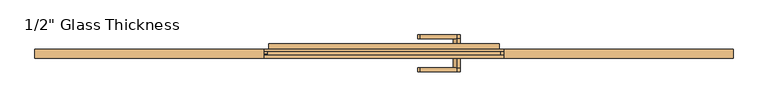
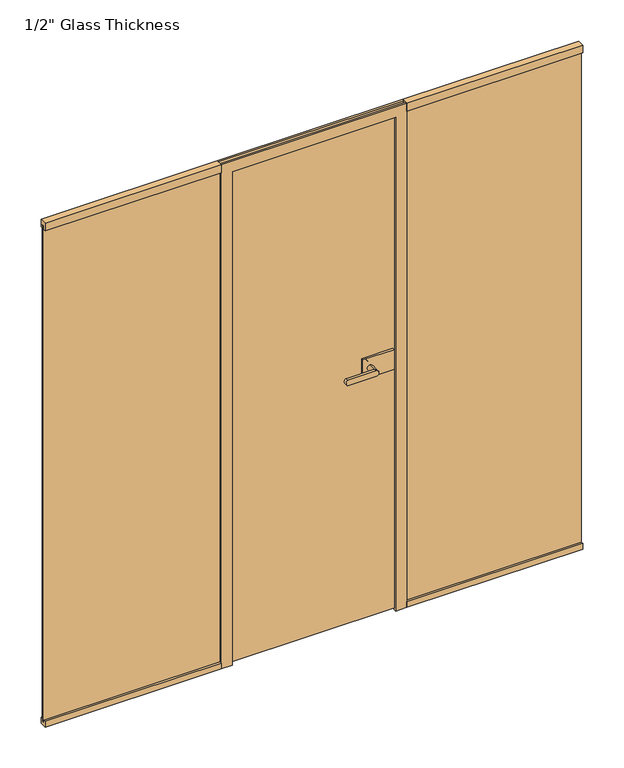
"""IFC4 building model written with IfcOpenShell, lengths in millimetres: door geometry."""

from ifc_helpers import new_model, si_unit, point, frame, frame_2d, origin, place, context, project, spatial, polyline, circle_curve, ellipse_curve, trimmed, segment, composite_curve, outline, extrude, faceted_brep, source, transform, mapped, element, save
from ifc_brep_helpers import plane_surface, cylinder_surface, extruded_surface, advanced_brep


def door_114125b7(model_context):
    return source(origin(), model_context, "Body", "SolidModel", [
        extrude(outline(composite_curve([segment(trimmed(circle_curve(frame_2d((1150.0, 242.0)), 11.9886308), [point((1161.9886308, 242.0))], [point((1138.0113692, 242.0))], False, "CARTESIAN"), True, "CONTINUOUS"), segment(trimmed(circle_curve(frame_2d((1150.0, 242.0)), 11.9886308), [point((1138.0113692, 242.0))], [point((1161.9886308, 242.0))], False, "CARTESIAN"), True, "CONTINUOUS")], self_intersect=False)), frame((0.0, -54.56, 0.0), z_axis=(0.0, 1.0, 0.0), x_axis=(0.0, 0.0, 1.0)), (0.0, 0.0, 1.0), 33.5),
        advanced_brep(
        [(242.0, -54.56, 1161.9886308), (242.0, -54.56, 1138.0113692), (120.3382074, -54.56, 1138.0113692), (120.3382074, -54.56, 1161.9886308), (242.0, -67.06, 1161.9886308), (120.3382074, -67.06, 1161.9886308), (120.3382074, -67.06, 1138.0113692), (242.0, -67.06, 1138.0113692)],
        [
            (0, 1, circle_curve(frame((242.0, -54.56, 1150.0), z_axis=(0.0, 1.0, 0.0), x_axis=(0.0, 0.0, -1.0)), 11.9886308)),
            (1, 2),
            (2, 3, ellipse_curve(frame((120.3382074, -54.56, 1150.0), z_axis=(0.0, 1.0, 0.0), x_axis=(0.0, 0.0, 1.0)), 11.9886308, 7.9050795)),
            (3, 0),
            (4, 5),
            (5, 6, ellipse_curve(frame((120.3382074, -67.06, 1150.0), z_axis=(0.0, -1.0, 0.0), x_axis=(0.0, 0.0, 1.0)), 11.9886308, 7.9050795)),
            (6, 7),
            (7, 4, circle_curve(frame((242.0, -67.06, 1150.0), z_axis=(0.0, -1.0, 0.0), x_axis=(0.0, 0.0, -1.0)), 11.9886308)),
            (3, 5),
            (4, 0),
            (2, 6),
            (1, 7),
        ],
        [
            plane_surface(frame((120.3382074, -54.56, 1161.9886308), z_axis=(0.0, 1.0, 0.0), x_axis=(-1.0, 0.0, 0.0))),
            plane_surface(frame((120.3382074, -67.06, 1161.9886308), z_axis=(0.0, -1.0, 0.0), x_axis=(1.0, 0.0, 0.0))),
            plane_surface(frame((242.0, -54.56, 1161.9886308), z_axis=(0.0, 0.0, 1.0), x_axis=(0.0, -1.0, 0.0))),
            extruded_surface(trimmed(ellipse_curve(frame((120.3382074, -67.06, 1150.0), z_axis=(0.0, -1.0, 0.0), x_axis=(0.0, 0.0, 1.0)), 11.9886308, 7.9050795), [point((120.3382074, -67.06, 1161.9886308))], [point((120.3382074, -67.06, 1138.0113692))], True, "CARTESIAN"), (0.0, -12.5, 0.0), 12.5),
            plane_surface(frame((120.3382074, -54.56, 1138.0113692), z_axis=(0.0, 0.0, -1.0), x_axis=(0.0, -1.0, 0.0))),
            cylinder_surface(frame((242.0, -67.06, 1150.0), z_axis=(0.0, 1.0, 0.0), x_axis=(0.0, 0.0, -1.0)), 11.9886308),
        ],
        [
            (0, [[1, 2, 3, 4]]),
            (1, [[5, 6, 7, 8]]),
            (2, [[9, -5, 10, -4]]),
            (3, [[11, -6, -9, -3]]),
            (4, [[12, -7, -11, -2]]),
            (5, [[-10, -8, -12, -1]]),
        ],
    ),
        extrude(outline(polyline([(346.0, -11.06), (346.0, -21.06), (212.0, -21.06), (212.0, -11.06), (346.0, -11.06)])), frame((0.0, 0.0, 1105.0), z_axis=(0.0, 0.0, 1.0), x_axis=(1.0, 0.0, 0.0)), (0.0, 0.0, 1.0), 90.0),
        extrude(outline(polyline([(362.0, 8.94), (362.0, -1.06), (212.0, -1.06), (212.0, 8.94), (362.0, 8.94)])), frame((0.0, 0.0, 1105.0), z_axis=(0.0, 0.0, 1.0), x_axis=(1.0, 0.0, 0.0)), (0.0, 0.0, 1.0), 90.0),
        advanced_brep(
        [(242.0, 8.94, 1161.9886308), (242.0, 8.94, 1138.0113692), (242.0, 42.4398825, 1161.9886308), (242.0, 42.4398825, 1138.0113692), (242.0, 54.9399695, 1161.9886308), (242.0, 54.9399695, 1138.0113692), (120.3382074, 54.9399695, 1138.0113692), (120.3382074, 54.9399695, 1161.9886308), (120.3382074, 42.4398825, 1161.9886308), (120.3382074, 42.4398825, 1138.0113692)],
        [
            (0, 1, circle_curve(frame((242.0, 8.94, 1150.0), z_axis=(0.0, -1.0, 0.0), x_axis=(0.0, 0.0, -1.0)), 11.9886308)),
            (1, 0, circle_curve(frame((242.0, 8.94, 1150.0), z_axis=(0.0, -1.0, 0.0), x_axis=(0.0, 0.0, -1.0)), 11.9886308)),
            (0, 2),
            (2, 3, circle_curve(frame((242.0, 42.4398825, 1150.0), z_axis=(0.0, -1.0, 0.0), x_axis=(0.0, 0.0, -1.0)), 11.9886308)),
            (3, 1),
            (3, 2, circle_curve(frame((242.0, 42.4398825, 1150.0), z_axis=(0.0, -1.0, 0.0), x_axis=(0.0, 0.0, -1.0)), 11.9886308)),
            (4, 5, circle_curve(frame((242.0, 54.9399695, 1150.0), z_axis=(0.0, 1.0, 0.0), x_axis=(0.0, 0.0, -1.0)), 11.9886308)),
            (5, 6),
            (6, 7, ellipse_curve(frame((120.3382074, 54.9399695, 1150.0), z_axis=(0.0, 1.0, 0.0), x_axis=(0.0, 0.0, 1.0)), 11.9886308, 7.9050795)),
            (7, 4),
            (2, 8),
            (8, 9, ellipse_curve(frame((120.3382074, 42.4398825, 1150.0), z_axis=(0.0, -1.0, 0.0), x_axis=(0.0, 0.0, 1.0)), 11.9886308, 7.9050795)),
            (9, 3),
            (7, 8),
            (2, 4),
            (6, 9),
            (5, 3),
        ],
        [
            plane_surface(frame((242.0, 8.94, 1138.0113692), z_axis=(0.0, -1.0, 0.0), x_axis=(-1.0, 0.0, 0.0))),
            cylinder_surface(frame((242.0, 8.94, 1150.0), z_axis=(0.0, 1.0, 0.0), x_axis=(0.0, 0.0, -1.0)), 11.9886308),
            plane_surface(frame((120.3382074, 54.9399695, 1161.9886308), z_axis=(0.0, 1.0, 0.0), x_axis=(-1.0, 0.0, 0.0))),
            plane_surface(frame((120.3382074, 42.4398825, 1161.9886308), z_axis=(0.0, -1.0, 0.0), x_axis=(1.0, 0.0, 0.0))),
            plane_surface(frame((242.0, 54.9399695, 1161.9886308), z_axis=(0.0, 0.0, 1.0), x_axis=(0.0, -1.0, 0.0))),
            extruded_surface(trimmed(ellipse_curve(frame((120.3382074, 42.4398825, 1150.0), z_axis=(0.0, -1.0, 0.0), x_axis=(0.0, 0.0, 1.0)), 11.9886308, 7.9050795), [point((120.3382074, 42.4398825, 1161.9886308))], [point((120.3382074, 42.4398825, 1138.0113692))], True, "CARTESIAN"), (0.0, -12.500087000000004, 0.0), 12.500087000000004),
            plane_surface(frame((120.3382074, 54.9399695, 1138.0113692), z_axis=(0.0, 0.0, -1.0), x_axis=(0.0, -1.0, 0.0))),
            cylinder_surface(frame((242.0, 42.4398825, 1150.0), z_axis=(0.0, 1.0, 0.0), x_axis=(0.0, 0.0, -1.0)), 11.9886308),
        ],
        [
            (0, [[1, 2]]),
            (1, [[3, 4, 5, -1]]),
            (1, [[-5, 6, -3, -2]]),
            (2, [[7, 8, 9, 10]]),
            (3, [[-4, 11, 12, 13]]),
            (4, [[14, -11, 15, -10]]),
            (5, [[16, -12, -14, -9]]),
            (6, [[17, -13, -16, -8]]),
            (7, [[-15, -6, -17, -7]]),
        ],
    ),
        extrude(outline(polyline([(1160.5, 0.0), (1160.5, -12.0), (386.0, -12.0), (386.0, 0.0), (1160.5, 0.0)])), frame((0.0, 0.0, 13.0), z_axis=(0.0, 0.0, 1.0), x_axis=(1.0, 0.0, 0.0)), (0.0, 0.0, 1.0), 2267.0),
        extrude(outline(polyline([(-22.06, 0.0), (-22.06, 26.0), (-12.0, 26.0), (-12.0, 13.0), (0.0, 13.0), (0.0, 26.0), (7.94, 26.0), (7.94, 0.0), (-22.06, 0.0)])), frame((400.0, 0.0, 0.0), z_axis=(1.0, 0.0, 0.0), x_axis=(0.0, 1.0, 0.0)), (0.0, 0.0, 1.0), 760.5),
        extrude(outline(polyline([(-22.06, 2300.0), (7.94, 2300.0), (7.94, 2265.0), (0.0, 2265.0), (0.0, 2280.0), (-12.0, 2280.0), (-12.0, 2265.0), (-22.06, 2265.0), (-22.06, 2300.0)])), frame((400.0, 0.0, 0.0), z_axis=(1.0, 0.0, 0.0), x_axis=(0.0, 1.0, 0.0)), (0.0, 0.0, 1.0), 760.5),
        extrude(outline(polyline([(-22.06, 0.0), (-22.06, 26.0), (-12.0, 26.0), (-12.0, 13.0), (0.0, 13.0), (0.0, 26.0), (7.94, 26.0), (7.94, 0.0), (-22.06, 0.0)])), frame((-1160.5, 0.0, 0.0), z_axis=(1.0, 0.0, 0.0), x_axis=(0.0, 1.0, 0.0)), (0.0, 0.0, 1.0), 760.5),
        extrude(outline(polyline([(-22.06, 2300.0), (7.94, 2300.0), (7.94, 2265.0), (0.0, 2265.0), (0.0, 2280.0), (-12.0, 2280.0), (-12.0, 2265.0), (-22.06, 2265.0), (-22.06, 2300.0)])), frame((-1160.5, 0.0, 0.0), z_axis=(1.0, 0.0, 0.0), x_axis=(0.0, 1.0, 0.0)), (0.0, 0.0, 1.0), 760.5),
        extrude(outline(polyline([(-1160.5, 0.0), (-386.0, 0.0), (-386.0, -8.0), (-1160.5, -8.0), (-1160.5, 0.0)])), frame((0.0, 0.0, 13.0), z_axis=(0.0, 0.0, 1.0), x_axis=(1.0, 0.0, 0.0)), (0.0, 0.0, 1.0), 2267.0),
        faceted_brep([(-365.9, -11.06, 0.0), (-353.0, -11.06, 0.0), (-353.0, -22.06, 0.0), (-400.0, -22.06, 0.0), (-400.0, -12.0, 0.0), (-386.0, -12.0, 0.0), (-386.0, 0.0, 0.0), (-400.0, 0.0, 0.0), (-400.0, 7.94, 0.0), (-383.0, 7.94, 0.0), (-383.0, 25.94, 0.0), (-365.9, 25.94, 0.0), (365.9, -11.06, 0.0), (365.9, 25.94, 0.0), (383.0, 25.94, 0.0), (383.0, 7.94, 0.0), (400.0, 7.94, 0.0), (400.0, 0.0, 0.0), (386.0, 0.0, 0.0), (386.0, -12.0, 0.0), (400.0, -12.0, 0.0), (400.0, -22.06, 0.0), (353.0, -22.06, 0.0), (353.0, -11.06, 0.0), (353.0, -22.06, 2253.0), (353.0, -11.06, 2253.0), (400.0, -12.0, 2300.0), (400.0, -22.06, 2300.0), (386.0, 0.0, 2286.0), (386.0, -12.0, 2286.0), (400.0, 7.94, 2300.0), (400.0, 0.0, 2300.0), (383.0, 25.94, 2283.0), (383.0, 7.94, 2283.0), (365.9, -11.06, 2265.9), (365.9, 25.94, 2265.9), (-365.9, -11.06, 2265.9), (-353.0, -11.06, 2253.0), (-353.0, -22.06, 2253.0), (-400.0, -22.06, 2300.0), (-400.0, -12.0, 2300.0), (-386.0, -12.0, 2286.0), (-386.0, 0.0, 2286.0), (-400.0, 0.0, 2300.0), (-400.0, 7.94, 2300.0), (-383.0, 7.94, 2283.0), (-383.0, 25.94, 2283.0), (-365.9, 25.94, 2265.9)], [[[0, 1, 2, 3, 4, 5, 6, 7, 8, 9, 10, 11]], [[12, 13, 14, 15, 16, 17, 18, 19, 20, 21, 22, 23]], [[24, 25, 23, 22]], [[26, 27, 21, 20]], [[28, 29, 19, 18]], [[30, 31, 17, 16]], [[32, 33, 15, 14]], [[34, 35, 13, 12]], [[1, 0, 36, 34, 12, 23, 25, 37]], [[2, 1, 37, 38]], [[3, 2, 38, 24, 22, 21, 27, 39]], [[4, 3, 39, 40]], [[5, 4, 40, 26, 20, 19, 29, 41]], [[6, 5, 41, 42]], [[7, 6, 42, 28, 18, 17, 31, 43]], [[8, 7, 43, 44]], [[9, 8, 44, 30, 16, 15, 33, 45]], [[10, 9, 45, 46]], [[11, 10, 46, 32, 14, 13, 35, 47]], [[0, 11, 47, 36]], [[38, 37, 25, 24]], [[40, 39, 27, 26]], [[42, 41, 29, 28]], [[44, 43, 31, 30]], [[46, 45, 33, 32]], [[36, 47, 35, 34]]]),
        extrude(outline(polyline([(362.0, -1.06), (362.0, -11.06), (-361.0, -11.06), (-361.0, -1.06), (362.0, -1.06)])), frame((0.0, 0.0, 7.0), z_axis=(0.0, 0.0, 1.0), x_axis=(1.0, 0.0, 0.0)), (0.0, 0.0, 1.0), 2255.0),
    ])


if __name__ == "__main__":
    model = new_model("IFC4")
    model_context = context("Model", 3, world=origin())
    ifc_project = project(units=[si_unit("LENGTHUNIT", "METRE", prefix="MILLI")], contexts=[model_context])
    site = spatial("IfcSite", under=ifc_project)
    building = spatial("IfcBuilding", under=site)
    placement = place(None, origin())
    door_shape = door_114125b7(model_context)
    element("IfcDoor", 1, ObjectType="1/2\" Glass Thickness", at=placement, inside=building, context=model_context, shape_type="MappedRepresentation", body=[
        mapped(door_shape, transform((0.0, 0.0, 0.0), x_axis=(1.0, 0.0, 0.0), y_axis=(0.0, 1.0, 0.0), z_axis=(0.0, 0.0, 1.0))),
    ])
    save(model, "model.ifc")
